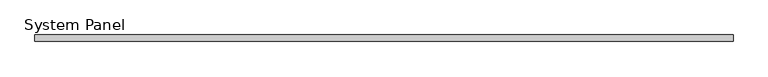
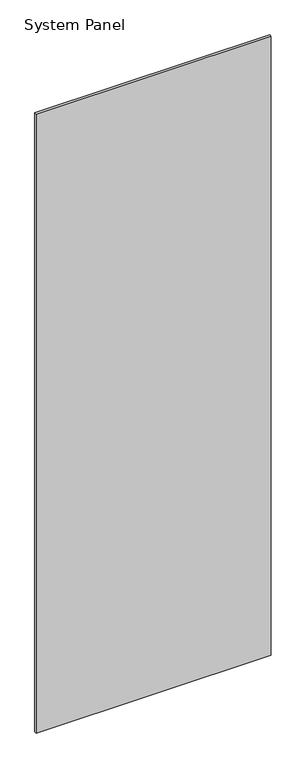
"""IFC4 building model written with IfcOpenShell, lengths in millimetres: plate geometry, System Panel."""

from ifc_helpers import new_model, si_unit, origin, origin_with_axes, place, context, project, spatial, polyline, outline, extrude, source, transform, mapped, element, save


def system_panel_d546b06e(model_context):
    return source(origin(), model_context, "Body", "SweptSolid", [
        extrude(outline(polyline([(537.2866519, -5.0), (-537.2866519, -5.0), (-537.2866519, 5.0), (537.2866519, 5.0), (537.2866519, -5.0)])), origin_with_axes(), (0.0, 0.0, 1.0), 2991.6097048),
    ])


if __name__ == "__main__":
    model = new_model("IFC4")
    model_context = context("Model", 3, world=origin())
    ifc_project = project(units=[si_unit("LENGTHUNIT", "METRE", prefix="MILLI")], contexts=[model_context])
    site = spatial("IfcSite", under=ifc_project)
    building = spatial("IfcBuilding", under=site)
    placement = place(None, origin())
    system_panel_shape = system_panel_d546b06e(model_context)
    element("IfcPlate", 1, ObjectType="System Panel", at=placement, inside=building, context=model_context, shape_type="MappedRepresentation", body=[
        mapped(system_panel_shape, transform((0.0, 0.0, 0.0), x_axis=(1.0, 0.0, 0.0), y_axis=(0.0, 1.0, 0.0), z_axis=(0.0, 0.0, 1.0))),
    ])
    save(model, "model.ifc")
